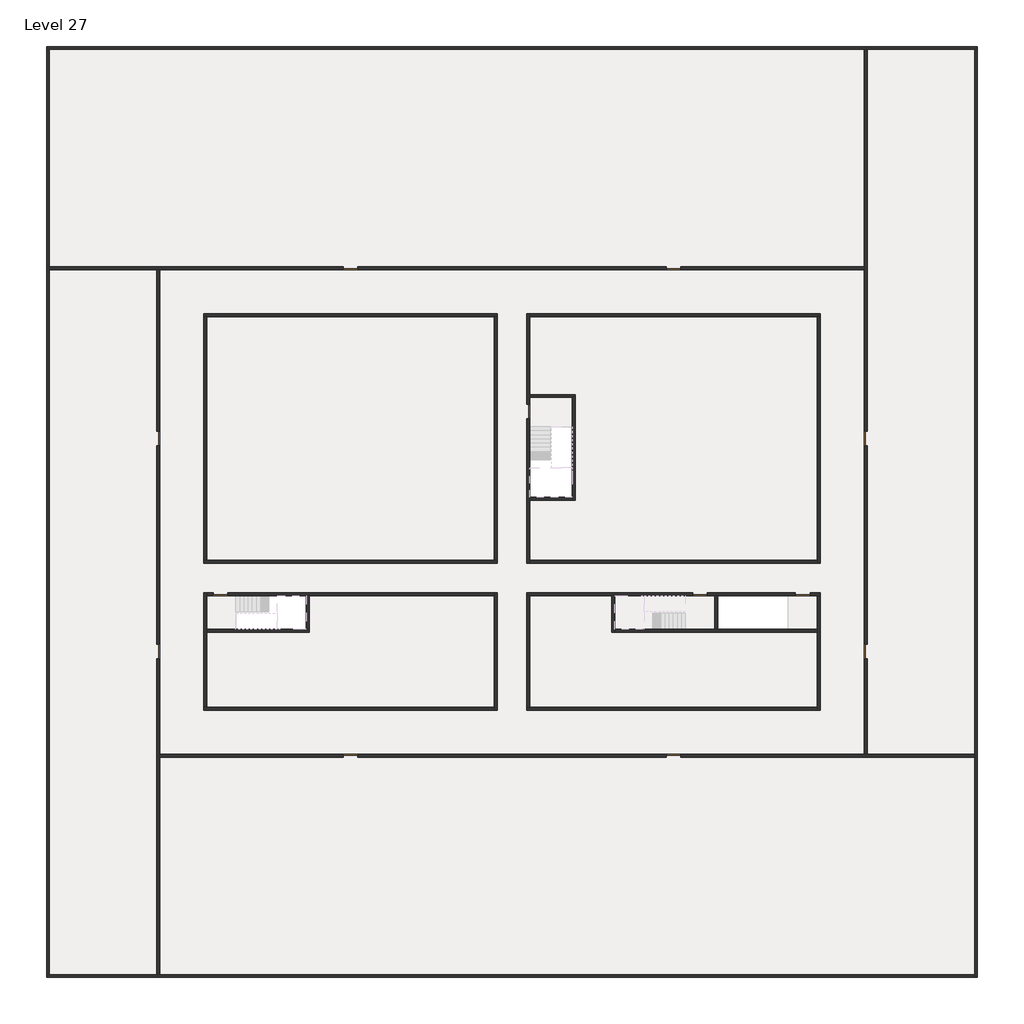
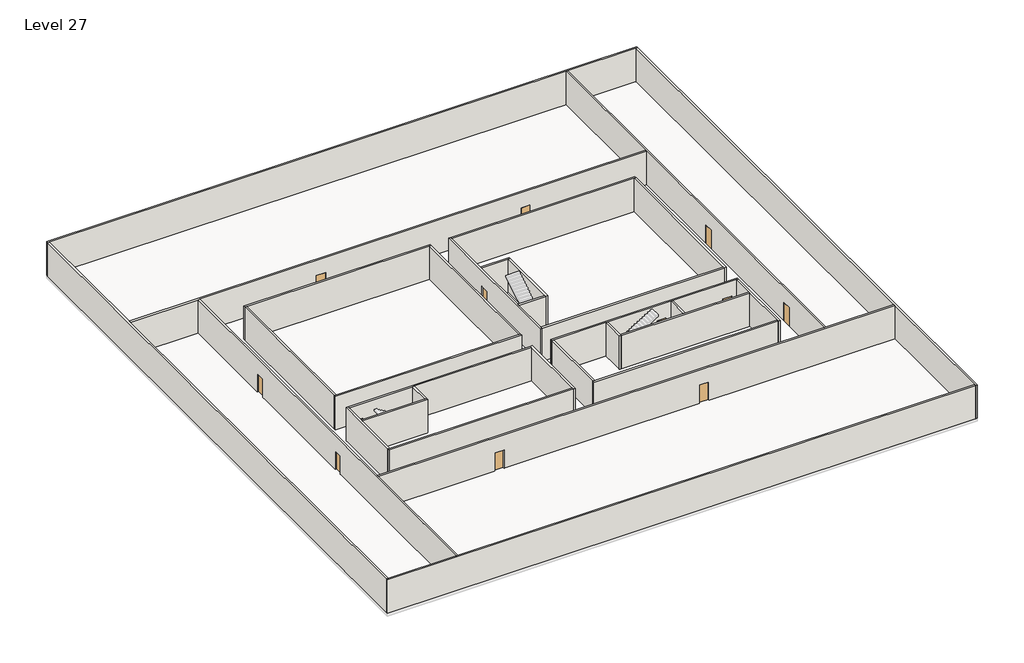
# One storey, part 1 of 2: 32 walls, 12 doors.
"""IFC4 building model written with IfcOpenShell, lengths in millimetres."""

import ifcopenshell
import ifcopenshell.guid

model = None  # the IFC model being written
_history = None  # IfcOwnerHistory: only IFC2X3 demands one
_inside = {}  # id of a spatial element -> (the spatial element, [elements in it])
_under = {}  # id of a project, library or spatial element -> (it, [spatial elements below it])
_declared = {}  # id of a project -> (the project, [libraries it declares])
_typed = {}  # id of a type object -> (the type object, [elements of that type])
_made_of = {}  # id of a material, layer set ... -> (it, [elements and type objects made of it])


def new_model(schema):
    """Start an empty IFC model of exactly this schema.

    Asked for "IFC4X3", IfcOpenShell would pick the latest addendum, in which some entities
    have other attributes; the version numbers below select the first issue.
    IFC2X3 requires an IfcOwnerHistory on every rooted entity: one is made here for all.
    """
    global model, _history
    if schema == "IFC4X3":
        model = ifcopenshell.file(schema_version=(4, 3, 0, 0))
    else:
        model = ifcopenshell.file(schema=schema)
    _inside.clear()
    _under.clear()
    _declared.clear()
    _typed.clear()
    _made_of.clear()
    _history = None
    if model.schema == "IFC2X3":
        org = make("IfcOrganization", Name="unknown")
        user = make(
            "IfcPersonAndOrganization",
            ThePerson=make("IfcPerson", FamilyName="unknown"),
            TheOrganization=org,
        )
        app = make(
            "IfcApplication",
            ApplicationDeveloper=org,
            Version="unknown",
            ApplicationFullName="unknown",
            ApplicationIdentifier="unknown",
        )
        _history = make(
            "IfcOwnerHistory",
            OwningUser=user,
            OwningApplication=app,
            ChangeAction="ADDED",
            CreationDate=0,
        )
    return model


def make(cls, **values):
    """One entity of the class cls with the attributes given. An attribute that is None is left unset."""
    return model.create_entity(
        cls, **{name: value for name, value in values.items() if value is not None}
    )


def rooted(cls, **values):
    """An entity with a GlobalId (a new one), such as an element, a storey or a relation."""
    return make(cls, GlobalId=ifcopenshell.guid.new(), OwnerHistory=_history, **values)


def si_unit(unit_type, name, prefix=None):
    """IfcSIUnit, for example si_unit("LENGTHUNIT", "METRE", prefix="MILLI")."""
    return make("IfcSIUnit", UnitType=unit_type, Prefix=prefix, Name=name)


def assignment(units):
    """IfcUnitAssignment: the units of a project."""
    return None if units is None else make("IfcUnitAssignment", Units=units)


def point(xyz):
    """IfcCartesianPoint."""
    return None if xyz is None else make("IfcCartesianPoint", Coordinates=xyz)


def direction(xyz):
    """IfcDirection."""
    return None if xyz is None else make("IfcDirection", DirectionRatios=xyz)


def frame(location, z_axis=None, x_axis=None):
    """IfcAxis2Placement3D, a coordinate frame: its origin and axes. An axis left out is left unset."""
    return make(
        "IfcAxis2Placement3D",
        Location=point(location),
        Axis=direction(z_axis),
        RefDirection=direction(x_axis),
    )


def origin():
    """The frame at (0, 0, 0) with its axes left unset."""
    return frame((0.0, 0.0, 0.0))


def origin_with_axes():
    """The frame at (0, 0, 0) with the z axis (0, 0, 1) and the x axis (1, 0, 0) written out."""
    return frame((0.0, 0.0, 0.0), z_axis=(0.0, 0.0, 1.0), x_axis=(1.0, 0.0, 0.0))


def place(relative_to, where):
    """IfcLocalPlacement: puts the frame where relative to a parent placement (None: the world)."""
    return make(
        "IfcLocalPlacement", PlacementRelTo=relative_to, RelativePlacement=where
    )


def context(
    kind, dimensions, precision=None, world=None, true_north=None, identifier=None
):
    """IfcGeometricRepresentationContext, for example the 3D "Model" context."""
    return make(
        "IfcGeometricRepresentationContext",
        ContextIdentifier=identifier,
        ContextType=kind,
        CoordinateSpaceDimension=dimensions,
        Precision=precision,
        WorldCoordinateSystem=world,
        TrueNorth=true_north,
    )


def project(units=None, contexts=None):
    """IfcProject with its units and contexts."""
    return rooted(
        "IfcProject",
        Name="project",
        RepresentationContexts=contexts,
        UnitsInContext=assignment(units),
    )


def spatial(cls, under=None, at=None, **own):
    """A site, building, storey or space (cls), placed at a placement, below another one or the project."""
    s = rooted(cls, ObjectPlacement=at, **own)
    if under is not None:
        _under.setdefault(under.id(), (under, []))[1].append(s)
    return s


def polyline(points):
    """IfcPolyline through the points."""
    return make("IfcPolyline", Points=[point(p) for p in points])


def outline(outer, holes=None, kind="AREA"):
    """IfcArbitraryClosedProfileDef: a profile drawn as a closed curve; with holes, ...WithVoids."""
    if holes is None:
        return make("IfcArbitraryClosedProfileDef", ProfileType=kind, OuterCurve=outer)
    return make(
        "IfcArbitraryProfileDefWithVoids",
        ProfileType=kind,
        OuterCurve=outer,
        InnerCurves=holes,
    )


def extrude(swept, where, along, depth):
    """IfcExtrudedAreaSolid: the profile swept, set in the frame where, extruded along a direction by depth."""
    return make(
        "IfcExtrudedAreaSolid",
        SweptArea=swept,
        Position=where,
        ExtrudedDirection=direction(along),
        Depth=depth,
    )


def faces_of(points, faces, orient=None, outer=None):
    """IfcFace entities. A face is a list of loops; a loop is a list of indices into points, from 0.

    orient and outer hold one flag for each loop. By default every Orientation is true, the
    first loop of a face is its IfcFaceOuterBound and the others are IfcFaceBound.
    """
    made = []
    for i, loops in enumerate(faces):
        bounds = []
        for j, loop in enumerate(loops):
            is_outer = j == 0 if outer is None else outer[i][j]
            bounds.append(
                make(
                    "IfcFaceOuterBound" if is_outer else "IfcFaceBound",
                    Bound=make("IfcPolyLoop", Polygon=[points[k] for k in loop]),
                    Orientation=True if orient is None else orient[i][j],
                )
            )
        made.append(make("IfcFace", Bounds=bounds))
    return made


def faceted_brep(points, faces, orient=None, outer=None, voids=None):
    """IfcFacetedBrep: a solid bounded by flat faces; with voids (closed shells), ...WithVoids."""
    shared = [point(p) for p in points]
    hull = make("IfcClosedShell", CfsFaces=faces_of(shared, faces, orient, outer))
    if voids is None:
        return make("IfcFacetedBrep", Outer=hull)
    return make(
        "IfcFacetedBrepWithVoids",
        Outer=hull,
        Voids=[
            make(cls, CfsFaces=faces_of(shared, fs, o, b)) for cls, fs, o, b in voids
        ],
    )


def shape(context_of_items, identifier, shape_type, items):
    """IfcShapeRepresentation: the items that make up one representation, for example the "Body"."""
    return make(
        "IfcShapeRepresentation",
        ContextOfItems=context_of_items,
        RepresentationIdentifier=identifier,
        RepresentationType=shape_type,
        Items=items,
    )


def source(mapping_origin, context_of_items, identifier, shape_type, items):
    """IfcRepresentationMap: a shape defined once, which mapped items show again and again."""
    return make(
        "IfcRepresentationMap",
        MappingOrigin=mapping_origin,
        MappedRepresentation=shape(context_of_items, identifier, shape_type, items),
    )


def transform(
    local_origin,
    x_axis=None,
    y_axis=None,
    z_axis=None,
    scale=None,
    scale2=None,
    scale3=None,
    uniform=True,
):
    """IfcCartesianTransformationOperator3D, or its non-uniform kind. x_axis, y_axis, z_axis: its Axis1, 2, 3."""
    if uniform:
        return make(
            "IfcCartesianTransformationOperator3D",
            Axis1=direction(x_axis),
            Axis2=direction(y_axis),
            LocalOrigin=point(local_origin),
            Scale=scale,
            Axis3=direction(z_axis),
        )
    return make(
        "IfcCartesianTransformationOperator3DnonUniform",
        Axis1=direction(x_axis),
        Axis2=direction(y_axis),
        LocalOrigin=point(local_origin),
        Scale=scale,
        Axis3=direction(z_axis),
        Scale2=scale2,
        Scale3=scale3,
    )


def mapped(mapping_source, mapping_target):
    """IfcMappedItem: shows the shape of a source again, moved by a transform."""
    return make(
        "IfcMappedItem", MappingSource=mapping_source, MappingTarget=mapping_target
    )


def made_of(thing, what):
    """Note that an element or type object is made of a material, layer set ...; save() writes the relation."""
    if what is not None:
        _made_of.setdefault(what.id(), (what, []))[1].append(thing)
    return thing


def element(
    cls,
    number,
    at=None,
    inside=None,
    cuts=None,
    type_object=None,
    material=None,
    context=None,
    identifier="Body",
    shape_type=None,
    held_by="IfcProductDefinitionShape",
    body=None,
    shapes=None,
    **own,
):
    """One element of the class cls, such as IfcWall. Its Tag is "e" and its number.

    at: its placement. inside: the storey or other place that contains it. cuts: it is an
    opening in that element (IfcRelVoidsElement). A single representation is given by context,
    identifier, shape_type and body (its items); several are given by shapes. held_by: the class
    of the entity that holds the representations. save() writes the other relations.
    """
    e = rooted(cls, Tag="e%d" % number, ObjectPlacement=at, **own)
    if body is not None:
        shapes = [shape(context, identifier, shape_type, body)]
    if shapes is not None:
        e.Representation = make(held_by, Representations=shapes)
    if inside is not None:
        _inside.setdefault(inside.id(), (inside, []))[1].append(e)
    if cuts is not None:
        rooted(
            "IfcRelVoidsElement", RelatingBuildingElement=cuts, RelatedOpeningElement=e
        )
    if type_object is not None:
        _typed.setdefault(type_object.id(), (type_object, []))[1].append(e)
    return made_of(e, material)


def aggregate(whole, parts):
    """IfcRelAggregates: a whole, such as a stair, and the parts it consists of."""
    return rooted("IfcRelAggregates", RelatingObject=whole, RelatedObjects=parts)


def save(model, path):
    """Write the relations noted so far, then the file.

    IfcRelAggregates (storeys below a building ...), IfcRelContainedInSpatialStructure (elements
    in a storey), IfcRelDefinesByType, IfcRelAssociatesMaterial and IfcRelDeclares: one each for
    every whole, place, type object, material and project.
    """
    for whole, parts in _under.values():
        aggregate(whole, parts)
    for where, things in _inside.values():
        rooted(
            "IfcRelContainedInSpatialStructure",
            RelatedElements=things,
            RelatingStructure=where,
        )
    for kind, things in _typed.values():
        rooted("IfcRelDefinesByType", RelatedObjects=things, RelatingType=kind)
    for what, things in _made_of.values():
        rooted("IfcRelAssociatesMaterial", RelatedObjects=things, RelatingMaterial=what)
    for by, libraries in _declared.values():
        rooted("IfcRelDeclares", RelatingContext=by, RelatedDefinitions=libraries)
    model.write(path)


def door_fb3c37fd(model_context):
    return source(origin(), model_context, "Body", "SweptSolid", [
        extrude(outline(polyline([(500.0, 49.0), (-500.0, 49.0), (-500.0, 100.0), (500.0, 100.0), (500.0, 49.0)])), origin_with_axes(), (0.0, 0.0, 1.0), 2100.0),
    ])


def door_0317a72c(model_context):
    return source(origin(), model_context, "Body", "SweptSolid", [
        extrude(outline(polyline([(500.0, -49.0), (500.0, -100.0), (-500.0, -100.0), (-500.0, -49.0), (500.0, -49.0)])), origin_with_axes(), (0.0, 0.0, 1.0), 2100.0),
    ])


model = new_model("IFC4")

# Units and contexts
model_context = context("Model", 3, world=origin())
ifc_project = project(units=[si_unit("LENGTHUNIT", "METRE", prefix="MILLI")], contexts=[model_context])

# Site, building, storey
site = spatial("IfcSite", under=ifc_project)
building = spatial("IfcBuilding", under=site)
storey = spatial("IfcBuildingStorey", under=building, Name="Level 27", Elevation=98800.0)

# Doors
placement = place(None, origin())
door_shape = door_fb3c37fd(model_context)
element("IfcDoor", 1, at=placement, inside=storey, context=model_context, shape_type="MappedRepresentation", body=[
    mapped(door_shape, transform((36990.1058784, -42818.09644, 98800.0), x_axis=(-1.0, 0.0, 0.0), y_axis=(0.0, -1.0, 0.0), z_axis=(0.0, 0.0, 1.0))),
])
element("IfcDoor", 2, at=placement, inside=storey, context=model_context, shape_type="MappedRepresentation", body=[
    mapped(door_shape, transform((43990.1058784, -42818.09644, 98800.0), x_axis=(-1.0, 0.0, 0.0), y_axis=(0.0, -1.0, 0.0), z_axis=(0.0, 0.0, 1.0))),
])
element("IfcDoor", 3, at=placement, inside=storey, context=model_context, shape_type="MappedRepresentation", body=[
    mapped(door_shape, transform((4340.1058784, -42818.09644, 98800.0), x_axis=(-1.0, 0.0, 0.0), y_axis=(0.0, -1.0, 0.0), z_axis=(0.0, 0.0, 1.0))),
])
element("IfcDoor", 4, at=placement, inside=storey, context=model_context, shape_type="MappedRepresentation", body=[
    mapped(door_shape, transform((90.1058784, -32218.09644, 98800.0), x_axis=(0.0, -1.0, 0.0), y_axis=(1.0, 0.0, 0.0), z_axis=(0.0, 0.0, 1.0))),
])
element("IfcDoor", 5, at=placement, inside=storey, context=model_context, shape_type="MappedRepresentation", body=[
    mapped(door_shape, transform((90.1058784, -46718.09644, 98800.0), x_axis=(0.0, -1.0, 0.0), y_axis=(1.0, 0.0, 0.0), z_axis=(0.0, 0.0, 1.0))),
])
element("IfcDoor", 6, at=placement, inside=storey, context=model_context, shape_type="MappedRepresentation", body=[
    mapped(door_shape, transform((13190.1058784, -53818.09644, 98800.0), x_axis=(1.0, 0.0, 0.0), y_axis=(0.0, 1.0, 0.0), z_axis=(0.0, 0.0, 1.0))),
])
element("IfcDoor", 7, at=placement, inside=storey, context=model_context, shape_type="MappedRepresentation", body=[
    mapped(door_shape, transform((35190.1058784, -53818.09644, 98800.0), x_axis=(1.0, 0.0, 0.0), y_axis=(0.0, 1.0, 0.0), z_axis=(0.0, 0.0, 1.0))),
])
element("IfcDoor", 8, at=placement, inside=storey, context=model_context, shape_type="MappedRepresentation", body=[
    mapped(door_shape, transform((48290.1058784, -32218.09644, 98800.0), x_axis=(0.0, 1.0, 0.0), y_axis=(-1.0, 0.0, 0.0), z_axis=(0.0, 0.0, 1.0))),
])
element("IfcDoor", 9, at=placement, inside=storey, context=model_context, shape_type="MappedRepresentation", body=[
    mapped(door_shape, transform((35190.1058784, -20618.09644, 98800.0), x_axis=(-1.0, 0.0, 0.0), y_axis=(0.0, -1.0, 0.0), z_axis=(0.0, 0.0, 1.0))),
])
element("IfcDoor", 10, at=placement, inside=storey, context=model_context, shape_type="MappedRepresentation", body=[
    mapped(door_shape, transform((13190.1058784, -20618.09644, 98800.0), x_axis=(-1.0, 0.0, 0.0), y_axis=(0.0, -1.0, 0.0), z_axis=(0.0, 0.0, 1.0))),
])
door_2_shape = door_0317a72c(model_context)
element("IfcDoor", 11, at=placement, inside=storey, context=model_context, shape_type="MappedRepresentation", body=[
    mapped(door_2_shape, transform((25290.1058784, -30368.09644, 98800.0), x_axis=(0.0, 1.0, 0.0), y_axis=(-1.0, 0.0, 0.0), z_axis=(0.0, 0.0, 1.0))),
])
element("IfcDoor", 12, at=placement, inside=storey, context=model_context, shape_type="MappedRepresentation", body=[
    mapped(door_2_shape, transform((48290.1058784, -46718.09644, 98800.0), x_axis=(0.0, -1.0, 0.0), y_axis=(1.0, 0.0, 0.0), z_axis=(0.0, 0.0, 1.0))),
])

# Walls
element("IfcWall", 13, at=placement, inside=storey, context=model_context, shape_type="Brep", body=[
    faceted_brep([(-7509.8941216, -5718.09644, 98800.0), (-7309.8941216, -5718.09644, 98800.0), (48190.1058784, -5718.09644, 98800.0), (48390.1058784, -5718.09644, 98800.0), (55690.1058784, -5718.09644, 98800.0), (55890.1058784, -5718.09644, 98800.0), (55890.1058784, -5718.09644, 102600.0), (55690.1058784, -5718.09644, 102600.0), (48390.1058784, -5718.09644, 102600.0), (48190.1058784, -5718.09644, 102600.0), (-7309.8941216, -5718.09644, 102600.0), (-7509.8941216, -5718.09644, 102600.0), (-7509.8941216, -5518.09644, 98800.0), (-7509.8941216, -5518.09644, 102600.0), (55890.1058784, -5518.09644, 102600.0), (55890.1058784, -5518.09644, 98800.0)], [[[0, 1, 2, 3, 4, 5, 6, 7, 8, 9, 10, 11]], [[12, 13, 14, 15]], [[5, 4, 3, 2, 1, 0, 12, 15]], [[11, 10, 9, 8, 7, 6, 14, 13]], [[0, 11, 13, 12]], [[6, 5, 15, 14]]]),
])
element("IfcWall", 14, at=placement, inside=storey, context=model_context, shape_type="Brep", body=[
    faceted_brep([(55690.1058784, -5718.09644, 98800.0), (55690.1058784, -53718.09644, 98800.0), (55690.1058784, -53918.09644, 98800.0), (55690.1058784, -68718.09644, 98800.0), (55690.1058784, -68918.09644, 98800.0), (55690.1058784, -68918.09644, 102600.0), (55690.1058784, -68718.09644, 102600.0), (55690.1058784, -53918.09644, 102600.0), (55690.1058784, -53718.09644, 102600.0), (55690.1058784, -5718.09644, 102600.0), (55890.1058784, -5718.09644, 98800.0), (55890.1058784, -5718.09644, 102600.0), (55890.1058784, -68918.09644, 102600.0), (55890.1058784, -68918.09644, 98800.0)], [[[0, 1, 2, 3, 4, 5, 6, 7, 8, 9]], [[10, 11, 12, 13]], [[4, 3, 2, 1, 0, 10, 13]], [[9, 8, 7, 6, 5, 12, 11]], [[5, 4, 13, 12]], [[0, 9, 11, 10]]]),
])
element("IfcWall", 15, at=placement, inside=storey, context=model_context, shape_type="Brep", body=[
    faceted_brep([(55690.1058784, -68718.09644, 98800.0), (190.1058784, -68718.09644, 98800.0), (-9.8941216, -68718.09644, 98800.0), (-7309.8941216, -68718.09644, 98800.0), (-7509.8941216, -68718.09644, 98800.0), (-7509.8941216, -68718.09644, 102600.0), (-7309.8941216, -68718.09644, 102600.0), (-9.8941216, -68718.09644, 102600.0), (190.1058784, -68718.09644, 102600.0), (55690.1058784, -68718.09644, 102600.0), (55690.1058784, -68918.09644, 98800.0), (55690.1058784, -68918.09644, 102600.0), (-7509.8941216, -68918.09644, 102600.0), (-7509.8941216, -68918.09644, 98800.0)], [[[0, 1, 2, 3, 4, 5, 6, 7, 8, 9]], [[10, 11, 12, 13]], [[4, 3, 2, 1, 0, 10, 13]], [[9, 8, 7, 6, 5, 12, 11]], [[5, 4, 13, 12]], [[0, 9, 11, 10]]]),
])
element("IfcWall", 16, at=placement, inside=storey, context=model_context, shape_type="Brep", body=[
    faceted_brep([(-7309.8941216, -68718.09644, 98800.0), (-7309.8941216, -20718.09644, 98800.0), (-7309.8941216, -20518.09644, 98800.0), (-7309.8941216, -5718.09644, 98800.0), (-7309.8941216, -5718.09644, 102600.0), (-7309.8941216, -20518.09644, 102600.0), (-7309.8941216, -20718.09644, 102600.0), (-7309.8941216, -68718.09644, 102600.0), (-7509.8941216, -68718.09644, 98800.0), (-7509.8941216, -68718.09644, 102600.0), (-7509.8941216, -5718.09644, 102600.0), (-7509.8941216, -5718.09644, 98800.0)], [[[0, 1, 2, 3, 4, 5, 6, 7]], [[8, 9, 10, 11]], [[3, 2, 1, 0, 8, 11]], [[7, 6, 5, 4, 10, 9]], [[0, 7, 9, 8]], [[4, 3, 11, 10]]]),
])
element("IfcWall", 17, at=placement, inside=storey, context=model_context, shape_type="Brep", body=[
    faceted_brep([(3190.1058784, -23918.09644, 98800.0), (3390.1058784, -23918.09644, 98800.0), (22990.1058784, -23918.09644, 98800.0), (23190.1058784, -23918.09644, 98800.0), (23190.1058784, -23918.09644, 102600.0), (22990.1058784, -23918.09644, 102600.0), (3390.1058784, -23918.09644, 102600.0), (3190.1058784, -23918.09644, 102600.0), (3190.1058784, -23718.09644, 98800.0), (3190.1058784, -23718.09644, 102600.0), (23190.1058784, -23718.09644, 102600.0), (23190.1058784, -23718.09644, 98800.0)], [[[0, 1, 2, 3, 4, 5, 6, 7]], [[8, 9, 10, 11]], [[3, 2, 1, 0, 8, 11]], [[7, 6, 5, 4, 10, 9]], [[0, 7, 9, 8]], [[4, 3, 11, 10]]]),
])
element("IfcWall", 18, at=placement, inside=storey, context=model_context, shape_type="Brep", body=[
    faceted_brep([(44990.1058784, -23918.09644, 98800.0), (44990.1058784, -40518.09644, 98800.0), (44990.1058784, -40718.09644, 98800.0), (44990.1058784, -40718.09644, 102600.0), (44990.1058784, -40518.09644, 102600.0), (44990.1058784, -23918.09644, 102600.0), (45190.1058784, -23918.09644, 98800.0), (45190.1058784, -23918.09644, 102600.0), (45190.1058784, -40718.09644, 102600.0), (45190.1058784, -40718.09644, 98800.0)], [[[0, 1, 2, 3, 4, 5]], [[6, 7, 8, 9]], [[2, 1, 0, 6, 9]], [[5, 4, 3, 8, 7]], [[3, 2, 9, 8]], [[0, 5, 7, 6]]]),
])
element("IfcWall", 19, at=placement, inside=storey, context=model_context, shape_type="Brep", body=[
    faceted_brep([(44990.1058784, -50518.09644, 98800.0), (25390.1058784, -50518.09644, 98800.0), (25190.1058784, -50518.09644, 98800.0), (25190.1058784, -50518.09644, 102600.0), (25390.1058784, -50518.09644, 102600.0), (44990.1058784, -50518.09644, 102600.0), (44990.1058784, -50718.09644, 98800.0), (44990.1058784, -50718.09644, 102600.0), (25190.1058784, -50718.09644, 102600.0), (25190.1058784, -50718.09644, 98800.0)], [[[0, 1, 2, 3, 4, 5]], [[6, 7, 8, 9]], [[2, 1, 0, 6, 9]], [[5, 4, 3, 8, 7]], [[3, 2, 9, 8]], [[0, 5, 7, 6]]]),
])
element("IfcWall", 20, at=placement, inside=storey, context=model_context, shape_type="Brep", body=[
    faceted_brep([(3390.1058784, -50518.09644, 98800.0), (3390.1058784, -45418.09644, 98800.0), (3390.1058784, -45218.09644, 98800.0), (3390.1058784, -42918.09644, 98800.0), (3390.1058784, -42718.09644, 98800.0), (3390.1058784, -42718.09644, 102600.0), (3390.1058784, -42918.09644, 102600.0), (3390.1058784, -45218.09644, 102600.0), (3390.1058784, -45418.09644, 102600.0), (3390.1058784, -50518.09644, 102600.0), (3190.1058784, -50518.09644, 98800.0), (3190.1058784, -50518.09644, 102600.0), (3190.1058784, -42718.09644, 102600.0), (3190.1058784, -42718.09644, 98800.0)], [[[0, 1, 2, 3, 4, 5, 6, 7, 8, 9]], [[10, 11, 12, 13]], [[4, 3, 2, 1, 0, 10, 13]], [[9, 8, 7, 6, 5, 12, 11]], [[5, 4, 13, 12]], [[0, 9, 11, 10]]]),
])
element("IfcWall", 21, at=placement, inside=storey, context=model_context, shape_type="SweptSolid", body=[
    extrude(outline(polyline([(22990.1058784, -40518.09644), (22990.1058784, -23918.09644), (23190.1058784, -23918.09644), (23190.1058784, -40518.09644), (22990.1058784, -40518.09644)])), frame((0.0, 0.0, 98800.0), z_axis=(0.0, 0.0, 1.0), x_axis=(1.0, 0.0, 0.0)), (0.0, 0.0, 1.0), 3800.0),
])
element("IfcWall", 22, at=placement, inside=storey, context=model_context, shape_type="Brep", body=[
    faceted_brep([(23190.1058784, -40518.09644, 98800.0), (22990.1058784, -40518.09644, 98800.0), (3390.1058784, -40518.09644, 98800.0), (3190.1058784, -40518.09644, 98800.0), (3190.1058784, -40518.09644, 102600.0), (3390.1058784, -40518.09644, 102600.0), (22990.1058784, -40518.09644, 102600.0), (23190.1058784, -40518.09644, 102600.0), (23190.1058784, -40718.09644, 98800.0), (23190.1058784, -40718.09644, 102600.0), (3190.1058784, -40718.09644, 102600.0), (3190.1058784, -40718.09644, 98800.0)], [[[0, 1, 2, 3, 4, 5, 6, 7]], [[8, 9, 10, 11]], [[3, 2, 1, 0, 8, 11]], [[7, 6, 5, 4, 10, 9]], [[4, 3, 11, 10]], [[0, 7, 9, 8]]]),
])
element("IfcWall", 23, at=placement, inside=storey, context=model_context, shape_type="Brep", body=[
    faceted_brep([(3390.1058784, -42918.09644, 98800.0), (3840.1058784, -42918.09644, 98800.0), (3840.1058784, -42918.09644, 100900.0), (4840.1058784, -42918.09644, 100900.0), (4840.1058784, -42918.09644, 98800.0), (10190.1058784, -42918.09644, 98800.0), (10390.1058784, -42918.09644, 98800.0), (22990.1058784, -42918.09644, 98800.0), (22990.1058784, -42918.09644, 102600.0), (10390.1058784, -42918.09644, 102600.0), (10190.1058784, -42918.09644, 102600.0), (3390.1058784, -42918.09644, 102600.0), (3840.1058784, -42718.09644, 100900.0), (3840.1058784, -42718.09644, 98800.0), (3390.1058784, -42718.09644, 98800.0), (3390.1058784, -42718.09644, 102600.0), (22990.1058784, -42718.09644, 102600.0), (22990.1058784, -42718.09644, 98800.0), (4840.1058784, -42718.09644, 98800.0), (4840.1058784, -42718.09644, 100900.0)], [[[0, 1, 2, 3, 4, 5, 6, 7, 8, 9, 10, 11]], [[12, 13, 14, 15, 16, 17, 18, 19]], [[18, 17, 7, 6, 5, 4]], [[14, 13, 1, 0]], [[11, 10, 9, 8, 16, 15]], [[8, 7, 17, 16]], [[0, 11, 15, 14]], [[2, 1, 13, 12]], [[3, 2, 12, 19]], [[4, 3, 19, 18]]]),
])
element("IfcWall", 24, at=placement, inside=storey, context=model_context, shape_type="SweptSolid", body=[
    extrude(outline(polyline([(25390.1058784, -40518.09644), (44990.1058784, -40518.09644), (44990.1058784, -40718.09644), (25390.1058784, -40718.09644), (25390.1058784, -40518.09644)])), frame((0.0, 0.0, 98800.0), z_axis=(0.0, 0.0, 1.0), x_axis=(1.0, 0.0, 0.0)), (0.0, 0.0, 1.0), 3800.0),
])
element("IfcWall", 25, at=placement, inside=storey, context=model_context, shape_type="Brep", body=[
    faceted_brep([(25390.1058784, -29868.09644, 100900.0), (25390.1058784, -29868.09644, 98800.0), (25390.1058784, -29418.09644, 98800.0), (25390.1058784, -29218.09644, 98800.0), (25390.1058784, -23918.09644, 98800.0), (25390.1058784, -23718.09644, 98800.0), (25390.1058784, -23718.09644, 102600.0), (25390.1058784, -23918.09644, 102600.0), (25390.1058784, -29218.09644, 102600.0), (25390.1058784, -29418.09644, 102600.0), (25390.1058784, -36218.09644, 102600.0), (25390.1058784, -36418.09644, 102600.0), (25390.1058784, -40518.09644, 102600.0), (25390.1058784, -40718.09644, 102600.0), (25390.1058784, -40718.09644, 98800.0), (25390.1058784, -40518.09644, 98800.0), (25390.1058784, -36418.09644, 98800.0), (25390.1058784, -36218.09644, 98800.0), (25390.1058784, -30868.09644, 98800.0), (25390.1058784, -30868.09644, 100900.0), (25190.1058784, -23718.09644, 98800.0), (25190.1058784, -29868.09644, 98800.0), (25190.1058784, -29868.09644, 100900.0), (25190.1058784, -30868.09644, 100900.0), (25190.1058784, -30868.09644, 98800.0), (25190.1058784, -40718.09644, 98800.0), (25190.1058784, -40718.09644, 102600.0), (25190.1058784, -23718.09644, 102600.0)], [[[0, 1, 2, 3, 4, 5, 6, 7, 8, 9, 10, 11, 12, 13, 14, 15, 16, 17, 18, 19]], [[20, 21, 22, 23, 24, 25, 26, 27]], [[5, 4, 3, 2, 1, 21, 20]], [[18, 17, 16, 15, 14, 25, 24]], [[13, 12, 11, 10, 9, 8, 7, 6, 27, 26]], [[6, 5, 20, 27]], [[14, 13, 26, 25]], [[22, 21, 1, 0]], [[23, 22, 0, 19]], [[24, 23, 19, 18]]]),
])
element("IfcWall", 26, at=placement, inside=storey, context=model_context, shape_type="SweptSolid", body=[
    extrude(outline(polyline([(3390.1058784, -23918.09644), (3390.1058784, -40518.09644), (3190.1058784, -40518.09644), (3190.1058784, -23918.09644), (3390.1058784, -23918.09644)])), frame((0.0, 0.0, 98800.0), z_axis=(0.0, 0.0, 1.0), x_axis=(1.0, 0.0, 0.0)), (0.0, 0.0, 1.0), 3800.0),
])
element("IfcWall", 27, at=placement, inside=storey, context=model_context, shape_type="Brep", body=[
    faceted_brep([(25390.1058784, -23918.09644, 98800.0), (44990.1058784, -23918.09644, 98800.0), (45190.1058784, -23918.09644, 98800.0), (45190.1058784, -23918.09644, 102600.0), (44990.1058784, -23918.09644, 102600.0), (25390.1058784, -23918.09644, 102600.0), (25390.1058784, -23718.09644, 98800.0), (25390.1058784, -23718.09644, 102600.0), (45190.1058784, -23718.09644, 102600.0), (45190.1058784, -23718.09644, 98800.0)], [[[0, 1, 2, 3, 4, 5]], [[6, 7, 8, 9]], [[2, 1, 0, 6, 9]], [[5, 4, 3, 8, 7]], [[3, 2, 9, 8]], [[0, 5, 7, 6]]]),
])
element("IfcWall", 28, at=placement, inside=storey, context=model_context, shape_type="Brep", body=[
    faceted_brep([(44990.1058784, -42918.09644, 98800.0), (44990.1058784, -45218.09644, 98800.0), (44990.1058784, -45418.09644, 98800.0), (44990.1058784, -50518.09644, 98800.0), (44990.1058784, -50718.09644, 98800.0), (44990.1058784, -50718.09644, 102600.0), (44990.1058784, -50518.09644, 102600.0), (44990.1058784, -45418.09644, 102600.0), (44990.1058784, -45218.09644, 102600.0), (44990.1058784, -42918.09644, 102600.0), (45190.1058784, -42918.09644, 98800.0), (45190.1058784, -42918.09644, 102600.0), (45190.1058784, -50718.09644, 102600.0), (45190.1058784, -50718.09644, 98800.0)], [[[0, 1, 2, 3, 4, 5, 6, 7, 8, 9]], [[10, 11, 12, 13]], [[4, 3, 2, 1, 0, 10, 13]], [[9, 8, 7, 6, 5, 12, 11]], [[5, 4, 13, 12]], [[0, 9, 11, 10]]]),
])
element("IfcWall", 29, at=placement, inside=storey, context=model_context, shape_type="Brep", body=[
    faceted_brep([(25390.1058784, -29418.09644, 98800.0), (28290.1058784, -29418.09644, 98800.0), (28490.1058784, -29418.09644, 98800.0), (28490.1058784, -29418.09644, 102600.0), (28290.1058784, -29418.09644, 102600.0), (25390.1058784, -29418.09644, 102600.0), (25390.1058784, -29218.09644, 98800.0), (25390.1058784, -29218.09644, 102600.0), (28490.1058784, -29218.09644, 102600.0), (28490.1058784, -29218.09644, 98800.0)], [[[0, 1, 2, 3, 4, 5]], [[6, 7, 8, 9]], [[2, 1, 0, 6, 9]], [[5, 4, 3, 8, 7]], [[3, 2, 9, 8]], [[0, 5, 7, 6]]]),
])
element("IfcWall", 30, at=placement, inside=storey, context=model_context, shape_type="Brep", body=[
    faceted_brep([(28290.1058784, -29418.09644, 98800.0), (28290.1058784, -36218.09644, 98800.0), (28290.1058784, -36418.09644, 98800.0), (28290.1058784, -36418.09644, 102600.0), (28290.1058784, -36218.09644, 102600.0), (28290.1058784, -29418.09644, 102600.0), (28490.1058784, -29418.09644, 98800.0), (28490.1058784, -29418.09644, 102600.0), (28490.1058784, -36418.09644, 102600.0), (28490.1058784, -36418.09644, 98800.0)], [[[0, 1, 2, 3, 4, 5]], [[6, 7, 8, 9]], [[2, 1, 0, 6, 9]], [[5, 4, 3, 8, 7]], [[3, 2, 9, 8]], [[0, 5, 7, 6]]]),
])
element("IfcWall", 31, at=placement, inside=storey, context=model_context, shape_type="SweptSolid", body=[
    extrude(outline(polyline([(25390.1058784, -36218.09644), (28290.1058784, -36218.09644), (28290.1058784, -36418.09644), (25390.1058784, -36418.09644), (25390.1058784, -36218.09644)])), frame((0.0, 0.0, 98800.0), z_axis=(0.0, 0.0, 1.0), x_axis=(1.0, 0.0, 0.0)), (0.0, 0.0, 1.0), 3800.0),
])
element("IfcWall", 32, at=placement, inside=storey, context=model_context, shape_type="Brep", body=[
    faceted_brep([(3390.1058784, -45418.09644, 98800.0), (10390.1058784, -45418.09644, 98800.0), (10390.1058784, -45418.09644, 102600.0), (3390.1058784, -45418.09644, 102600.0), (3390.1058784, -45218.09644, 98800.0), (3390.1058784, -45218.09644, 102600.0), (10190.1058784, -45218.09644, 102600.0), (10390.1058784, -45218.09644, 102600.0), (10390.1058784, -45218.09644, 98800.0), (10190.1058784, -45218.09644, 98800.0)], [[[0, 1, 2, 3]], [[4, 5, 6, 7, 8, 9]], [[1, 0, 4, 9, 8]], [[3, 2, 7, 6, 5]], [[2, 1, 8, 7]], [[0, 3, 5, 4]]]),
])
element("IfcWall", 33, at=placement, inside=storey, context=model_context, shape_type="SweptSolid", body=[
    extrude(outline(polyline([(10390.1058784, -42918.09644), (10390.1058784, -45218.09644), (10190.1058784, -45218.09644), (10190.1058784, -42918.09644), (10390.1058784, -42918.09644)])), frame((0.0, 0.0, 98800.0), z_axis=(0.0, 0.0, 1.0), x_axis=(1.0, 0.0, 0.0)), (0.0, 0.0, 1.0), 3800.0),
])
element("IfcWall", 34, at=placement, inside=storey, context=model_context, shape_type="Brep", body=[
    faceted_brep([(30990.1058784, -42918.09644, 98800.0), (30990.1058784, -45418.09644, 98800.0), (30990.1058784, -45418.09644, 102600.0), (30990.1058784, -42918.09644, 102600.0), (31190.1058784, -42918.09644, 98800.0), (31190.1058784, -42918.09644, 102600.0), (31190.1058784, -45218.09644, 102600.0), (31190.1058784, -45418.09644, 102600.0), (31190.1058784, -45418.09644, 98800.0), (31190.1058784, -45218.09644, 98800.0)], [[[0, 1, 2, 3]], [[4, 5, 6, 7, 8, 9]], [[1, 0, 4, 9, 8]], [[3, 2, 7, 6, 5]], [[2, 1, 8, 7]], [[0, 3, 5, 4]]]),
])
element("IfcWall", 35, at=placement, inside=storey, context=model_context, shape_type="Brep", body=[
    faceted_brep([(31190.1058784, -45418.09644, 98800.0), (44990.1058784, -45418.09644, 98800.0), (44990.1058784, -45418.09644, 102600.0), (31190.1058784, -45418.09644, 102600.0), (31190.1058784, -45218.09644, 98800.0), (31190.1058784, -45218.09644, 102600.0), (37990.1058784, -45218.09644, 102600.0), (38190.1058784, -45218.09644, 102600.0), (44990.1058784, -45218.09644, 102600.0), (44990.1058784, -45218.09644, 98800.0), (38190.1058784, -45218.09644, 98800.0), (37990.1058784, -45218.09644, 98800.0)], [[[0, 1, 2, 3]], [[4, 5, 6, 7, 8, 9, 10, 11]], [[1, 0, 4, 11, 10, 9]], [[3, 2, 8, 7, 6, 5]], [[0, 3, 5, 4]], [[2, 1, 9, 8]]]),
])
element("IfcWall", 36, at=placement, inside=storey, context=model_context, shape_type="SweptSolid", body=[
    extrude(outline(polyline([(25190.1058784, -50518.09644), (25190.1058784, -42918.09644), (25390.1058784, -42918.09644), (25390.1058784, -50518.09644), (25190.1058784, -50518.09644)])), frame((0.0, 0.0, 98800.0), z_axis=(0.0, 0.0, 1.0), x_axis=(1.0, 0.0, 0.0)), (0.0, 0.0, 1.0), 3800.0),
])
element("IfcWall", 37, at=placement, inside=storey, context=model_context, shape_type="Brep", body=[
    faceted_brep([(22990.1058784, -42718.09644, 98800.0), (22990.1058784, -42918.09644, 98800.0), (22990.1058784, -50518.09644, 98800.0), (22990.1058784, -50718.09644, 98800.0), (22990.1058784, -50718.09644, 102600.0), (22990.1058784, -50518.09644, 102600.0), (22990.1058784, -42918.09644, 102600.0), (22990.1058784, -42718.09644, 102600.0), (23190.1058784, -42718.09644, 98800.0), (23190.1058784, -42718.09644, 102600.0), (23190.1058784, -50718.09644, 102600.0), (23190.1058784, -50718.09644, 98800.0)], [[[0, 1, 2, 3, 4, 5, 6, 7]], [[8, 9, 10, 11]], [[3, 2, 1, 0, 8, 11]], [[7, 6, 5, 4, 10, 9]], [[4, 3, 11, 10]], [[0, 7, 9, 8]]]),
])
element("IfcWall", 38, at=placement, inside=storey, context=model_context, shape_type="Brep", body=[
    faceted_brep([(37490.1058784, -42918.09644, 98800.0), (37990.1058784, -42918.09644, 98800.0), (38190.1058784, -42918.09644, 98800.0), (43490.1058784, -42918.09644, 98800.0), (43490.1058784, -42918.09644, 100900.0), (44490.1058784, -42918.09644, 100900.0), (44490.1058784, -42918.09644, 98800.0), (44990.1058784, -42918.09644, 98800.0), (45190.1058784, -42918.09644, 98800.0), (45190.1058784, -42918.09644, 102600.0), (44990.1058784, -42918.09644, 102600.0), (38190.1058784, -42918.09644, 102600.0), (37990.1058784, -42918.09644, 102600.0), (31190.1058784, -42918.09644, 102600.0), (30990.1058784, -42918.09644, 102600.0), (25390.1058784, -42918.09644, 102600.0), (25190.1058784, -42918.09644, 102600.0), (25190.1058784, -42918.09644, 98800.0), (25390.1058784, -42918.09644, 98800.0), (30990.1058784, -42918.09644, 98800.0), (31190.1058784, -42918.09644, 98800.0), (36490.1058784, -42918.09644, 98800.0), (36490.1058784, -42918.09644, 100900.0), (37490.1058784, -42918.09644, 100900.0), (43490.1058784, -42718.09644, 100900.0), (43490.1058784, -42718.09644, 98800.0), (37490.1058784, -42718.09644, 98800.0), (37490.1058784, -42718.09644, 100900.0), (36490.1058784, -42718.09644, 100900.0), (36490.1058784, -42718.09644, 98800.0), (25190.1058784, -42718.09644, 98800.0), (25190.1058784, -42718.09644, 102600.0), (45190.1058784, -42718.09644, 102600.0), (45190.1058784, -42718.09644, 98800.0), (44490.1058784, -42718.09644, 98800.0), (44490.1058784, -42718.09644, 100900.0)], [[[0, 1, 2, 3, 4, 5, 6, 7, 8, 9, 10, 11, 12, 13, 14, 15, 16, 17, 18, 19, 20, 21, 22, 23]], [[24, 25, 26, 27, 28, 29, 30, 31, 32, 33, 34, 35]], [[30, 29, 21, 20, 19, 18, 17]], [[34, 33, 8, 7, 6]], [[26, 25, 3, 2, 1, 0]], [[16, 15, 14, 13, 12, 11, 10, 9, 32, 31]], [[17, 16, 31, 30]], [[9, 8, 33, 32]], [[22, 21, 29, 28]], [[23, 22, 28, 27]], [[0, 23, 27, 26]], [[4, 3, 25, 24]], [[5, 4, 24, 35]], [[6, 5, 35, 34]]]),
])
element("IfcWall", 39, at=placement, inside=storey, context=model_context, shape_type="Brep", body=[
    faceted_brep([(22990.1058784, -50518.09644, 98800.0), (3390.1058784, -50518.09644, 98800.0), (3190.1058784, -50518.09644, 98800.0), (3190.1058784, -50518.09644, 102600.0), (3390.1058784, -50518.09644, 102600.0), (22990.1058784, -50518.09644, 102600.0), (22990.1058784, -50718.09644, 98800.0), (22990.1058784, -50718.09644, 102600.0), (3190.1058784, -50718.09644, 102600.0), (3190.1058784, -50718.09644, 98800.0)], [[[0, 1, 2, 3, 4, 5]], [[6, 7, 8, 9]], [[2, 1, 0, 6, 9]], [[5, 4, 3, 8, 7]], [[3, 2, 9, 8]], [[0, 5, 7, 6]]]),
])
element("IfcWall", 40, at=placement, inside=storey, context=model_context, shape_type="SweptSolid", body=[
    extrude(outline(polyline([(38190.1058784, -42918.09644), (38190.1058784, -45218.09644), (37990.1058784, -45218.09644), (37990.1058784, -42918.09644), (38190.1058784, -42918.09644)])), frame((0.0, 0.0, 98800.0), z_axis=(0.0, 0.0, 1.0), x_axis=(1.0, 0.0, 0.0)), (0.0, 0.0, 1.0), 3800.0),
])
element("IfcWall", 41, at=placement, inside=storey, context=model_context, shape_type="Brep", body=[
    faceted_brep([(12690.1058784, -20518.09644, 100900.0), (12690.1058784, -20518.09644, 98800.0), (-7309.8941216, -20518.09644, 98800.0), (-7309.8941216, -20518.09644, 102600.0), (48190.1058784, -20518.09644, 102600.0), (48190.1058784, -20518.09644, 98800.0), (35690.1058784, -20518.09644, 98800.0), (35690.1058784, -20518.09644, 100900.0), (34690.1058784, -20518.09644, 100900.0), (34690.1058784, -20518.09644, 98800.0), (13690.1058784, -20518.09644, 98800.0), (13690.1058784, -20518.09644, 100900.0), (-7309.8941216, -20718.09644, 98800.0), (-9.8941216, -20718.09644, 98800.0), (190.1058784, -20718.09644, 98800.0), (12690.1058784, -20718.09644, 98800.0), (12690.1058784, -20718.09644, 100900.0), (13690.1058784, -20718.09644, 100900.0), (13690.1058784, -20718.09644, 98800.0), (34690.1058784, -20718.09644, 98800.0), (34690.1058784, -20718.09644, 100900.0), (35690.1058784, -20718.09644, 100900.0), (35690.1058784, -20718.09644, 98800.0), (48190.1058784, -20718.09644, 98800.0), (48190.1058784, -20718.09644, 102600.0), (190.1058784, -20718.09644, 102600.0), (-9.8941216, -20718.09644, 102600.0), (-7309.8941216, -20718.09644, 102600.0)], [[[0, 1, 2, 3, 4, 5, 6, 7, 8, 9, 10, 11]], [[12, 13, 14, 15, 16, 17, 18, 19, 20, 21, 22, 23, 24, 25, 26, 27]], [[6, 5, 23, 22]], [[10, 9, 19, 18]], [[2, 1, 15, 14, 13, 12]], [[4, 3, 27, 26, 25, 24]], [[3, 2, 12, 27]], [[5, 4, 24, 23]], [[20, 19, 9, 8]], [[21, 20, 8, 7]], [[22, 21, 7, 6]], [[16, 15, 1, 0]], [[17, 16, 0, 11]], [[18, 17, 11, 10]]]),
])
element("IfcWall", 42, at=placement, inside=storey, context=model_context, shape_type="Brep", body=[
    faceted_brep([(-9.8941216, -47218.09644, 100900.0), (-9.8941216, -47218.09644, 98800.0), (-9.8941216, -68718.09644, 98800.0), (-9.8941216, -68718.09644, 102600.0), (-9.8941216, -20718.09644, 102600.0), (-9.8941216, -20718.09644, 98800.0), (-9.8941216, -31718.09644, 98800.0), (-9.8941216, -31718.09644, 100900.0), (-9.8941216, -32718.09644, 100900.0), (-9.8941216, -32718.09644, 98800.0), (-9.8941216, -46218.09644, 98800.0), (-9.8941216, -46218.09644, 100900.0), (190.1058784, -68718.09644, 98800.0), (190.1058784, -53918.09644, 98800.0), (190.1058784, -53718.09644, 98800.0), (190.1058784, -47218.09644, 98800.0), (190.1058784, -47218.09644, 100900.0), (190.1058784, -46218.09644, 100900.0), (190.1058784, -46218.09644, 98800.0), (190.1058784, -32718.09644, 98800.0), (190.1058784, -32718.09644, 100900.0), (190.1058784, -31718.09644, 100900.0), (190.1058784, -31718.09644, 98800.0), (190.1058784, -20718.09644, 98800.0), (190.1058784, -20718.09644, 102600.0), (190.1058784, -53718.09644, 102600.0), (190.1058784, -53918.09644, 102600.0), (190.1058784, -68718.09644, 102600.0)], [[[0, 1, 2, 3, 4, 5, 6, 7, 8, 9, 10, 11]], [[12, 13, 14, 15, 16, 17, 18, 19, 20, 21, 22, 23, 24, 25, 26, 27]], [[6, 5, 23, 22]], [[10, 9, 19, 18]], [[2, 1, 15, 14, 13, 12]], [[4, 3, 27, 26, 25, 24]], [[5, 4, 24, 23]], [[3, 2, 12, 27]], [[20, 19, 9, 8]], [[21, 20, 8, 7]], [[22, 21, 7, 6]], [[16, 15, 1, 0]], [[17, 16, 0, 11]], [[18, 17, 11, 10]]]),
])
element("IfcWall", 43, at=placement, inside=storey, context=model_context, shape_type="Brep", body=[
    faceted_brep([(35690.1058784, -53918.09644, 100900.0), (35690.1058784, -53918.09644, 98800.0), (55690.1058784, -53918.09644, 98800.0), (55690.1058784, -53918.09644, 102600.0), (190.1058784, -53918.09644, 102600.0), (190.1058784, -53918.09644, 98800.0), (12690.1058784, -53918.09644, 98800.0), (12690.1058784, -53918.09644, 100900.0), (13690.1058784, -53918.09644, 100900.0), (13690.1058784, -53918.09644, 98800.0), (34690.1058784, -53918.09644, 98800.0), (34690.1058784, -53918.09644, 100900.0), (55690.1058784, -53718.09644, 98800.0), (48390.1058784, -53718.09644, 98800.0), (48190.1058784, -53718.09644, 98800.0), (35690.1058784, -53718.09644, 98800.0), (35690.1058784, -53718.09644, 100900.0), (34690.1058784, -53718.09644, 100900.0), (34690.1058784, -53718.09644, 98800.0), (13690.1058784, -53718.09644, 98800.0), (13690.1058784, -53718.09644, 100900.0), (12690.1058784, -53718.09644, 100900.0), (12690.1058784, -53718.09644, 98800.0), (190.1058784, -53718.09644, 98800.0), (190.1058784, -53718.09644, 102600.0), (48190.1058784, -53718.09644, 102600.0), (48390.1058784, -53718.09644, 102600.0), (55690.1058784, -53718.09644, 102600.0)], [[[0, 1, 2, 3, 4, 5, 6, 7, 8, 9, 10, 11]], [[12, 13, 14, 15, 16, 17, 18, 19, 20, 21, 22, 23, 24, 25, 26, 27]], [[6, 5, 23, 22]], [[10, 9, 19, 18]], [[2, 1, 15, 14, 13, 12]], [[4, 3, 27, 26, 25, 24]], [[3, 2, 12, 27]], [[5, 4, 24, 23]], [[20, 19, 9, 8]], [[21, 20, 8, 7]], [[22, 21, 7, 6]], [[16, 15, 1, 0]], [[17, 16, 0, 11]], [[18, 17, 11, 10]]]),
])
element("IfcWall", 44, at=placement, inside=storey, context=model_context, shape_type="Brep", body=[
    faceted_brep([(48390.1058784, -31718.09644, 100900.0), (48390.1058784, -31718.09644, 98800.0), (48390.1058784, -5718.09644, 98800.0), (48390.1058784, -5718.09644, 102600.0), (48390.1058784, -53718.09644, 102600.0), (48390.1058784, -53718.09644, 98800.0), (48390.1058784, -47218.09644, 98800.0), (48390.1058784, -47218.09644, 100900.0), (48390.1058784, -46218.09644, 100900.0), (48390.1058784, -46218.09644, 98800.0), (48390.1058784, -32718.09644, 98800.0), (48390.1058784, -32718.09644, 100900.0), (48190.1058784, -5718.09644, 98800.0), (48190.1058784, -20518.09644, 98800.0), (48190.1058784, -20718.09644, 98800.0), (48190.1058784, -31718.09644, 98800.0), (48190.1058784, -31718.09644, 100900.0), (48190.1058784, -32718.09644, 100900.0), (48190.1058784, -32718.09644, 98800.0), (48190.1058784, -46218.09644, 98800.0), (48190.1058784, -46218.09644, 100900.0), (48190.1058784, -47218.09644, 100900.0), (48190.1058784, -47218.09644, 98800.0), (48190.1058784, -53718.09644, 98800.0), (48190.1058784, -53718.09644, 102600.0), (48190.1058784, -20718.09644, 102600.0), (48190.1058784, -20518.09644, 102600.0), (48190.1058784, -5718.09644, 102600.0)], [[[0, 1, 2, 3, 4, 5, 6, 7, 8, 9, 10, 11]], [[12, 13, 14, 15, 16, 17, 18, 19, 20, 21, 22, 23, 24, 25, 26, 27]], [[23, 22, 6, 5]], [[10, 9, 19, 18]], [[2, 1, 15, 14, 13, 12]], [[4, 3, 27, 26, 25, 24]], [[3, 2, 12, 27]], [[5, 4, 24, 23]], [[7, 6, 22, 21]], [[8, 7, 21, 20]], [[9, 8, 20, 19]], [[16, 15, 1, 0]], [[17, 16, 0, 11]], [[18, 17, 11, 10]]]),
])

save(model, "model.ifc")
